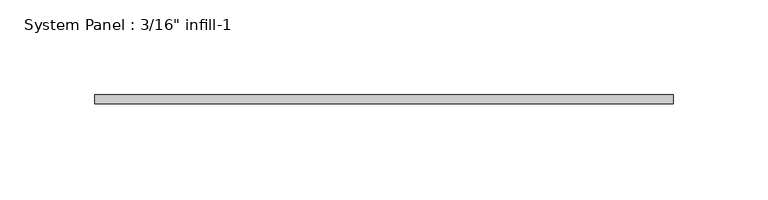
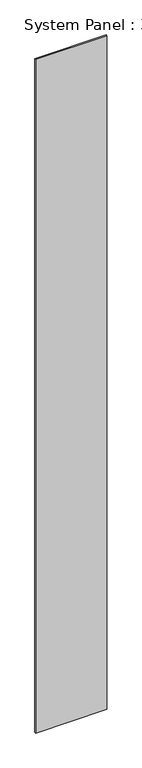
"""IFC4 building model written with IfcOpenShell, lengths in millimetres: plate geometry."""

from ifc_helpers import new_model, si_unit, origin, origin_with_axes, place, context, project, spatial, polyline, outline, extrude, source, transform, mapped, element, save


def plate_7cd8d9b3(model_context):
    return source(origin(), model_context, "Body", "SweptSolid", [
        extrude(outline(polyline([(152.4, 19.7445312), (-152.4, 19.7445312), (-152.4, 24.5070313), (152.4, 24.5070313), (152.4, 19.7445312)])), origin_with_axes(), (0.0, 0.0, 1.0), 3048.0),
    ])


if __name__ == "__main__":
    model = new_model("IFC4")
    model_context = context("Model", 3, world=origin())
    ifc_project = project(units=[si_unit("LENGTHUNIT", "METRE", prefix="MILLI")], contexts=[model_context])
    site = spatial("IfcSite", under=ifc_project)
    building = spatial("IfcBuilding", under=site)
    placement = place(None, origin())
    plate_shape = plate_7cd8d9b3(model_context)
    element("IfcPlate", 1, ObjectType="System Panel : 3/16\" infill-1", at=placement, inside=building, context=model_context, shape_type="MappedRepresentation", body=[
        mapped(plate_shape, transform((0.0, 0.0, 0.0), x_axis=(1.0, 0.0, 0.0), y_axis=(0.0, 1.0, 0.0), z_axis=(0.0, 0.0, 1.0))),
    ])
    save(model, "model.ifc")
